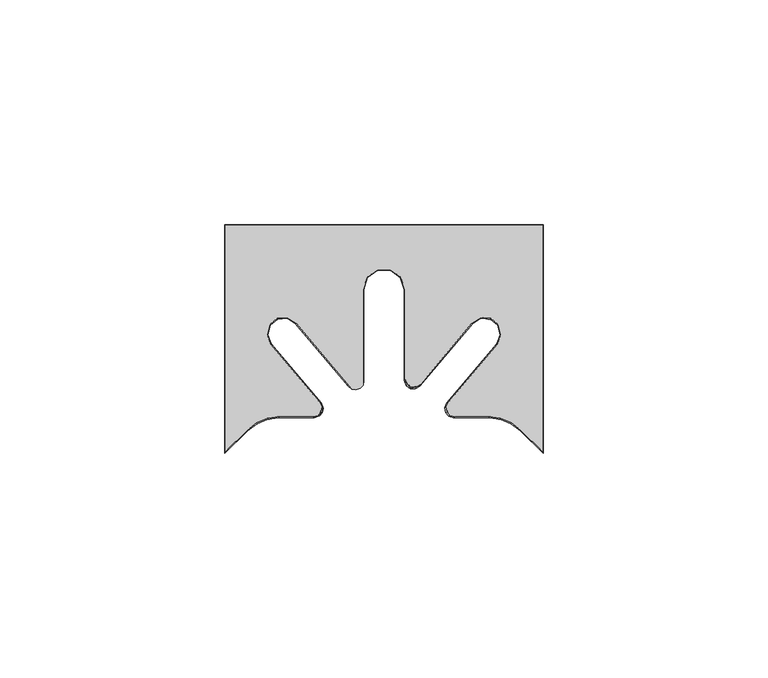
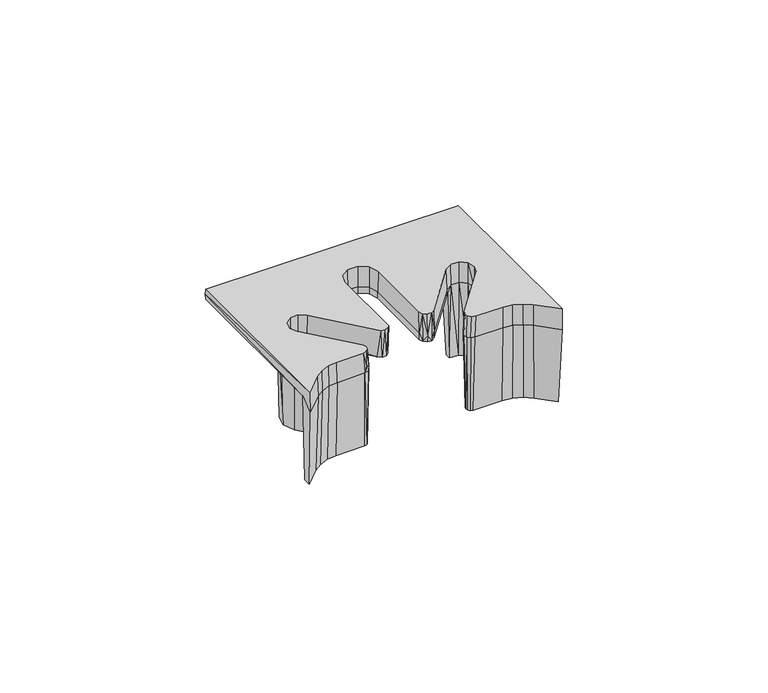
"""IFC4 building model written with IfcOpenShell, lengths in millimetres: furniture geometry."""

from ifc_helpers import new_model, si_unit, origin, place, context, project, spatial, triangles, source, transform, mapped, element, save


def furniture_0200971a(model_context):
    return source(origin(), model_context, "Body", "Tessellation", [
        triangles([(2345.6538182, 2616.2651334, 716.9999851), (2345.6538182, 2618.3501261, 716.9999851), (2349.981897, 2620.5141292, 716.9999851), (2352.4587807, 2625.0311318, 716.9999851), (2352.158799, 2622.1591232, 716.9999851), (2354.6848076, 2623.1911278, 716.9999851), (2357.3908925, 2623.5431231, 716.9999851), (2365.012811, 2625.0311318, 716.9999851), (2365.4699052, 2623.5431231, 716.9999851), (2366.1548924, 2623.743129, 716.9999851), (2366.6247765, 2624.2791247, 716.9999851), (2366.7329095, 2624.9841325, 716.9999851), (2366.445863, 2625.6371268, 716.9999851), (2355.1759114, 2639.0681384, 716.9999851), (2354.0358647, 2638.1121284, 716.9999851), (2352.7528035, 2641.2361383, 716.9999851), (2354.2298936, 2641.4321293, 716.9999851), (2353.5127862, 2644.5271257, 716.9999851), (2354.8718602, 2643.8961322, 716.9999851), (2356.035888, 2646.7711384, 716.9999851), (2356.8497918, 2645.4981238, 716.9999851), (2359.3928052, 2647.143136, 716.9999851), (2359.3928052, 2645.6151406, 716.9999851), (2350.3857968, 2620.1031259, 739.0000231), (2345.26983, 2615.0811396, 739.0000231), (2345.2167809, 2618.5331273, 741.9999853), (2345.2167809, 2615.2491344, 745.0000202), (2345.1909104, 2665.9671324, 743.4999664), (2345.2167809, 2665.9411347, 741.9999853), (2352.3128594, 2641.2701297, 741.9999853), (2353.7018735, 2637.832131, 741.9999853), (2352.2808846, 2625.4671335, 741.9999853), (2364.0768216, 2625.4671335, 741.9999853), (2416.1648486, 2665.9411347, 741.9999853), (2378.527829, 2658.1241336, 741.9999853), (2375.0278973, 2655.5811384, 741.9999853), (2359.7499055, 2647.5101376, 741.9999853), (2373.6907696, 2651.4671272, 741.9999853), (2362.8938996, 2645.5451231, 741.9999853), (2373.6907696, 2632.6781396, 741.9999853), (2416.1648486, 2618.5331273, 741.9999853), (2409.0688428, 2641.2701297, 741.9999853), (2408.1718045, 2644.8681296, 741.9999853), (2405.3308442, 2647.2511236, 741.9999853), (2407.6798287, 2637.832131, 741.9999853), (2409.1008176, 2625.4671335, 741.9999853), (2397.3048079, 2625.4671335, 741.9999853), (2401.6318694, 2647.5101376, 741.9999853), (2386.3538048, 2655.5811384, 741.9999853), (2382.8538731, 2658.1241336, 741.9999853), (2387.6907872, 2651.4671272, 741.9999853), (2398.4878752, 2645.5451231, 741.9999853), (2387.6907872, 2632.6781396, 741.9999853), (2356.050858, 2647.2511236, 741.9999853), (2353.2098977, 2644.8681296, 741.9999853), (2345.2167809, 2665.9411347, 745.0000202), (2354.6497807, 2641.4331285, 745.0000202), (2355.1968403, 2643.6261269, 745.0000202), (2356.9278393, 2645.0791268, 745.0000202), (2350.2749024, 2620.2151285, 745.0000202), (2355.496822, 2639.3381255, 745.0000202), (2352.3667805, 2621.7941383, 745.0000202), (2354.7917779, 2622.786138, 745.0000202), (2357.3908925, 2623.1241261, 745.0000202), (2366.3448517, 2626.4091364, 745.0000202), (2364.8138405, 2623.1241261, 745.0000202), (2366.796859, 2625.3841262, 745.0000202), (2366.6268113, 2624.2781254, 745.0000202), (2365.8887749, 2623.4371339, 745.0000202), (2359.1827889, 2645.2371296, 745.0000202), (2376.9228398, 2654.2041331, 745.0000202), (2379.2519127, 2655.8961265, 745.0000202), (2376.0337952, 2651.4671272, 745.0000202), (2361.0998231, 2644.0391286, 745.0000202), (2376.0337952, 2630.2441312, 745.0000202), (2373.4608418, 2629.3071244, 744.9990028), (2375.3528775, 2629.5411399, 745.0000202), (2374.4338929, 2629.2071305, 745.0000202), (2382.1297894, 2655.8961265, 745.0000202), (2416.1648486, 2665.9411347, 745.0000202), (2384.4588624, 2654.2041331, 745.0000202), (2402.1988406, 2645.2371296, 745.0000202), (2385.3479069, 2651.4671272, 745.0000202), (2400.2818064, 2644.0391286, 745.0000202), (2385.3479069, 2631.7341384, 745.0000202), (2388.8787961, 2630.4491332, 745.0000202), (2385.7087861, 2630.5861343, 745.0000202), (2386.6627976, 2629.8531304, 745.0000202), (2387.8638871, 2629.8021342, 745.0000202), (2404.4538628, 2645.0791268, 745.0000202), (2406.1848618, 2643.6261269, 745.0000202), (2406.7318488, 2641.4331285, 745.0000202), (2405.8848075, 2639.3381255, 745.0000202), (2411.1068724, 2620.2151285, 745.0000202), (2416.1648486, 2615.2491344, 745.0000202), (2395.0368504, 2626.4091364, 745.0000202), (2403.9908097, 2623.1241261, 745.0000202), (2406.5898516, 2622.786138, 745.0000202), (2409.014849, 2621.7941383, 745.0000202), (2396.5678616, 2623.1241261, 745.0000202), (2394.5848431, 2625.3841262, 745.0000202), (2394.7548909, 2624.2781254, 745.0000202), (2395.4927819, 2623.4371339, 745.0000202), (2410.9958327, 2620.1031259, 739.0000231), (2416.1118722, 2615.0811396, 739.0000231), (2416.1908644, 2665.9671324, 743.4999664), (2415.7278113, 2618.3501261, 716.9999851), (2415.7278113, 2616.2651334, 716.9999851), (2408.9228488, 2625.0311318, 716.9999851), (2411.3998051, 2620.5141292, 716.9999851), (2360.4408517, 2644.5221296, 736.9999998), (2360.4408517, 2647.1991283, 736.9999998), (2400.9408505, 2644.5221296, 736.9999998), (2400.9408505, 2647.1991283, 736.9999998), (2401.9888243, 2645.6151406, 716.9999851), (2401.9888243, 2647.143136, 716.9999851), (2361.7298718, 2646.478133, 736.9999998), (2361.0198861, 2643.9721268, 736.9999998), (2362.8277699, 2645.4891309, 736.9999998), (2373.7778283, 2632.439128, 736.9999998), (2372.7448971, 2629.9981251, 737.0010172), (2373.7198376, 2629.3771238, 736.9999998), (2374.873837, 2629.4271389, 736.9999998), (2375.7907868, 2630.1311294, 736.9999998), (2376.138876, 2631.2331333, 737.0010172), (2376.138876, 2651.4671272, 736.9999998), (2373.7778283, 2651.4671272, 736.9999998), (2377.0078637, 2654.1431266, 737.0069761), (2375.0978058, 2655.5301241, 736.9999998), (2379.2838875, 2655.7971318, 736.9999998), (2378.5548623, 2658.0411264, 736.9999998), (2382.8268399, 2658.0411264, 736.9999998), (2382.0978146, 2655.7971318, 736.9999998), (2386.2838963, 2655.5301241, 736.9999998), (2384.3738385, 2654.1431266, 736.9999998), (2387.6038739, 2651.4671272, 736.9999998), (2385.2428261, 2651.4671272, 736.9999998), (2387.6038739, 2632.439128, 736.9999998), (2385.2428261, 2631.2331333, 736.9999998), (2385.589898, 2630.1311294, 737.0230362), (2386.5078652, 2629.4271389, 736.9999998), (2387.6628819, 2629.3761246, 737.0230362), (2388.636805, 2629.9981251, 736.9999998), (2400.3618161, 2643.9721268, 736.9999998), (2398.5538596, 2645.4891309, 736.9999998), (2399.6518304, 2646.478133, 736.9999998), (2359.1448552, 2645.0841229, 739.0000231), (2360.9789002, 2643.9381354, 739.0000231), (2356.9868474, 2644.9341321, 739.0000231), (2355.3298264, 2643.5431378, 739.0000231), (2354.8068932, 2641.444138, 739.0000231), (2355.6168728, 2639.4391368, 739.0000231), (2365.1478318, 2622.9751345, 739.2920111), (2357.3908925, 2622.9671408, 739.0000231), (2366.6818951, 2626.2451384, 739.1710155), (2403.9908097, 2622.9671408, 739.0000231), (2396.2138135, 2622.9671408, 738.9990057), (2395.1497796, 2623.2771328, 738.9009739), (2394.4108712, 2624.1171251, 738.8809896), (2394.2428582, 2625.2231259, 738.9009739), (2394.6889065, 2626.2391249, 738.9990057), (2405.7648293, 2639.4391368, 739.0000231), (2406.5748089, 2641.444138, 739.0000231), (2406.0518757, 2643.5431378, 739.0000231), (2404.3948548, 2644.9341321, 739.0000231), (2402.236847, 2645.0841229, 739.0000231), (2400.4028746, 2643.9381354, 739.0000231), (2405.3458142, 2646.7711384, 716.9999851), (2407.8688433, 2644.5271257, 716.9999851), (2408.628826, 2641.2361383, 716.9999851), (2407.3458375, 2638.1121284, 716.9999851), (2396.3688912, 2625.0311318, 716.9999851), (2395.911797, 2623.5431231, 716.9999851), (2403.9908097, 2623.5431231, 716.9999851), (2409.2228305, 2622.1591232, 716.9999851), (2406.6968218, 2623.1911278, 716.9999851), (2395.2268098, 2623.743129, 716.9999851), (2394.7567803, 2624.2791247, 716.9999851), (2394.6487927, 2624.9841325, 716.9999851), (2394.9358391, 2625.6371268, 716.9999851), (2406.2058634, 2639.0681384, 716.9999851), (2407.1518086, 2641.4321293, 716.9999851), (2406.509842, 2643.8961322, 716.9999851), (2404.5318377, 2645.4981238, 716.9999851), (2366.3737744, 2623.374129, 738.9979883), (2366.9728657, 2624.1171251, 739.0000231), (2367.1568661, 2625.0541319, 738.9979883), (2352.4438107, 2621.6581364, 739.0000231), (2354.8329091, 2622.6341306, 739.0000231), (2385.1907944, 2631.2671247, 738.9939915), (2386.4988541, 2629.4041389, 738.7549799), (2388.6988652, 2629.9911307, 738.9939915), (2376.1909077, 2651.4671272, 739.0000231), (2379.2998749, 2655.7471348, 739.0000231), (2382.0818272, 2655.7471348, 739.0000231), (2384.3318352, 2654.1121329, 739.0000231), (2385.1907944, 2651.4671272, 739.0000231), (2408.9378188, 2621.6581364, 739.0000231), (2406.5488658, 2622.6341306, 739.0000231), (2365.7368947, 2623.1651302, 741.0320211), (2366.8898766, 2624.1261362, 740.1070049), (2366.9068814, 2625.6751332, 741.0320211)], [[1, 2, 3], [4, 3, 2], [3, 4, 5], [5, 4, 6], [7, 6, 4], [8, 7, 4], [7, 8, 9], [10, 9, 8], [10, 8, 11], [11, 8, 12], [12, 8, 13], [13, 8, 14], [14, 8, 15], [14, 15, 16], [14, 16, 17], [17, 16, 18], [17, 18, 19], [19, 18, 20], [19, 20, 21], [21, 20, 22], [21, 22, 23], [1, 3, 24], [1, 24, 25], [2, 1, 25], [2, 25, 26], [26, 25, 27], [28, 26, 27], [28, 29, 26], [29, 30, 26], [26, 30, 31], [26, 31, 32], [32, 31, 33], [34, 35, 29], [29, 35, 36], [29, 36, 37], [37, 36, 38], [37, 38, 39], [39, 38, 40], [41, 42, 34], [34, 42, 43], [34, 43, 44], [42, 41, 45], [45, 41, 46], [45, 46, 47], [34, 44, 48], [34, 48, 49], [34, 49, 50], [49, 48, 51], [51, 48, 52], [51, 52, 53], [34, 50, 35], [37, 54, 29], [29, 54, 55], [29, 55, 30], [28, 27, 56], [32, 4, 2], [32, 2, 26], [27, 57, 56], [56, 57, 58], [56, 58, 59], [27, 60, 57], [57, 60, 61], [61, 60, 62], [61, 62, 63], [63, 64, 61], [61, 64, 65], [65, 64, 66], [65, 66, 67], [67, 66, 68], [68, 66, 69], [56, 59, 70], [56, 70, 71], [56, 71, 72], [71, 70, 73], [73, 70, 74], [73, 74, 75], [75, 74, 76], [75, 76, 77], [77, 76, 78], [56, 72, 79], [56, 79, 80], [80, 79, 81], [80, 81, 82], [82, 81, 83], [82, 83, 84], [84, 83, 85], [84, 85, 86], [86, 85, 87], [86, 87, 88], [88, 89, 86], [82, 90, 80], [80, 90, 91], [80, 91, 92], [92, 93, 94], [92, 94, 95], [80, 92, 95], [96, 97, 93], [93, 97, 98], [93, 98, 99], [97, 96, 100], [100, 96, 101], [100, 101, 102], [102, 103, 100], [93, 99, 94], [95, 94, 104], [95, 104, 105], [106, 95, 41], [41, 95, 105], [41, 105, 107], [107, 105, 108], [41, 34, 106], [95, 106, 80], [41, 107, 46], [46, 107, 109], [105, 104, 108], [108, 104, 110], [111, 23, 112], [112, 23, 22], [113, 114, 115], [115, 114, 116], [112, 117, 111], [118, 111, 117], [118, 117, 119], [118, 119, 120], [118, 120, 121], [122, 121, 120], [122, 120, 123], [123, 120, 124], [124, 120, 125], [125, 120, 126], [126, 120, 127], [128, 126, 127], [128, 127, 129], [130, 128, 129], [130, 129, 131], [130, 131, 132], [130, 132, 133], [133, 132, 134], [133, 134, 135], [135, 134, 136], [135, 136, 137], [137, 136, 138], [137, 138, 139], [140, 139, 138], [140, 138, 141], [141, 138, 142], [142, 138, 143], [143, 138, 144], [144, 138, 145], [144, 145, 146], [144, 146, 113], [113, 146, 114], [117, 112, 37], [37, 112, 22], [37, 22, 54], [54, 22, 20], [54, 20, 55], [55, 20, 18], [55, 18, 16], [16, 15, 31], [16, 31, 30], [16, 30, 55], [37, 39, 117], [117, 39, 119], [147, 111, 148], [148, 111, 118], [147, 149, 21], [147, 21, 23], [147, 23, 111], [21, 149, 19], [19, 149, 150], [19, 150, 151], [151, 152, 14], [151, 14, 17], [151, 17, 19], [61, 152, 151], [61, 151, 57], [57, 151, 150], [57, 150, 58], [58, 150, 149], [58, 149, 59], [59, 149, 147], [59, 147, 70], [70, 147, 74], [74, 147, 148], [153, 66, 64], [153, 64, 154], [61, 65, 155], [61, 155, 152], [97, 100, 156], [156, 100, 157], [157, 100, 103], [157, 103, 158], [158, 103, 102], [158, 102, 159], [159, 102, 160], [160, 102, 101], [160, 101, 161], [161, 101, 96], [106, 34, 29], [106, 29, 28], [163, 162, 93], [163, 93, 92], [163, 92, 91], [163, 91, 164], [164, 91, 90], [164, 90, 165], [165, 90, 82], [165, 82, 166], [166, 82, 84], [166, 84, 167], [116, 114, 48], [116, 48, 44], [116, 44, 168], [168, 44, 43], [168, 43, 169], [169, 43, 42], [169, 42, 170], [170, 42, 45], [170, 45, 171], [48, 114, 146], [48, 146, 52], [52, 146, 145], [172, 47, 109], [109, 47, 46], [157, 173, 174], [157, 174, 156], [108, 110, 107], [107, 110, 109], [109, 110, 175], [109, 175, 176], [109, 176, 174], [109, 174, 172], [173, 172, 174], [172, 173, 177], [177, 178, 172], [172, 178, 179], [172, 179, 180], [180, 181, 172], [172, 181, 171], [171, 181, 170], [170, 181, 182], [170, 182, 169], [169, 182, 183], [169, 183, 168], [168, 183, 184], [168, 184, 116], [116, 184, 115], [181, 162, 163], [181, 163, 182], [182, 163, 164], [182, 164, 183], [183, 164, 165], [183, 165, 184], [184, 165, 166], [184, 166, 115], [115, 166, 113], [113, 166, 167], [113, 167, 144], [13, 14, 155], [155, 14, 152], [153, 9, 10], [153, 10, 185], [185, 10, 11], [185, 11, 186], [186, 11, 187], [187, 11, 12], [155, 187, 12], [155, 12, 13], [188, 24, 3], [188, 3, 5], [189, 188, 5], [189, 5, 6], [189, 6, 7], [7, 154, 189], [138, 53, 145], [145, 53, 52], [138, 136, 53], [53, 136, 51], [51, 136, 134], [51, 134, 49], [49, 134, 132], [49, 132, 50], [50, 132, 131], [50, 131, 35], [35, 131, 129], [35, 129, 36], [36, 129, 38], [38, 129, 127], [120, 40, 127], [127, 40, 38], [8, 4, 33], [33, 4, 32], [120, 119, 40], [40, 119, 39], [8, 33, 15], [15, 33, 31], [172, 171, 47], [47, 171, 45], [28, 56, 80], [28, 80, 106], [78, 76, 122], [122, 76, 121], [122, 123, 78], [78, 123, 77], [77, 123, 124], [77, 124, 75], [75, 124, 125], [190, 139, 140], [191, 140, 141], [191, 141, 142], [142, 143, 192], [85, 190, 87], [87, 190, 140], [87, 140, 191], [142, 89, 191], [191, 89, 88], [191, 88, 87], [142, 192, 89], [89, 192, 86], [73, 75, 193], [193, 75, 125], [167, 84, 86], [167, 86, 192], [162, 181, 161], [161, 181, 180], [161, 96, 162], [162, 96, 93], [73, 193, 71], [71, 193, 128], [71, 128, 194], [71, 194, 72], [72, 194, 195], [72, 195, 79], [79, 195, 196], [79, 196, 81], [81, 196, 197], [81, 197, 83], [198, 104, 94], [198, 94, 99], [199, 198, 99], [199, 99, 98], [199, 98, 97], [97, 156, 199], [76, 74, 148], [76, 148, 121], [148, 118, 121], [83, 197, 85], [85, 197, 190], [197, 137, 190], [190, 137, 139], [153, 200, 66], [66, 200, 69], [69, 200, 201], [69, 201, 68], [67, 68, 201], [67, 201, 202], [67, 202, 65], [65, 202, 155], [199, 156, 174], [199, 174, 176], [198, 199, 176], [198, 176, 175], [104, 198, 175], [104, 175, 110], [161, 180, 160], [160, 180, 179], [160, 179, 159], [159, 179, 178], [159, 178, 177], [159, 177, 158], [158, 177, 173], [157, 158, 173], [143, 144, 192], [192, 144, 167], [126, 128, 193], [128, 130, 194], [194, 130, 133], [194, 133, 195], [195, 133, 135], [195, 135, 196], [197, 196, 135], [197, 135, 137], [125, 126, 193], [9, 153, 7], [7, 153, 154], [25, 24, 27], [27, 24, 60], [60, 24, 62], [62, 24, 188], [62, 188, 63], [63, 188, 189], [63, 189, 64], [64, 189, 154], [153, 185, 201], [153, 201, 200], [185, 186, 201], [201, 186, 187], [201, 187, 155], [201, 155, 202]]),
    ])


if __name__ == "__main__":
    model = new_model("IFC4")
    model_context = context("Model", 3, world=origin())
    ifc_project = project(units=[si_unit("LENGTHUNIT", "METRE", prefix="MILLI")], contexts=[model_context])
    site = spatial("IfcSite", under=ifc_project)
    building = spatial("IfcBuilding", under=site)
    placement = place(None, origin())
    furniture_shape = furniture_0200971a(model_context)
    element("IfcFurniture", 1, at=placement, inside=building, context=model_context, shape_type="MappedRepresentation", body=[
        mapped(furniture_shape, transform((0.0, 0.0, 0.0), x_axis=(1.0, 0.0, 0.0), y_axis=(0.0, 1.0, 0.0), z_axis=(0.0, 0.0, 1.0))),
    ])
    save(model, "model.ifc")
